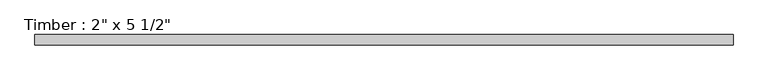
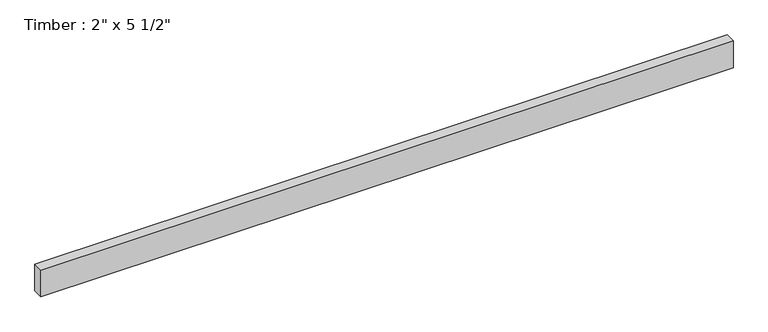
"""IFC4 building model written with IfcOpenShell, lengths in millimetres: beam geometry."""

from ifc_helpers import new_model, si_unit, frame, origin, place, context, project, spatial, polyline, outline, extrude, source, transform, mapped, element, save


def beam_d7595d74(model_context):
    return source(origin(), model_context, "Body", "SweptSolid", [
        extrude(outline(polyline([(1704.240254, 25.4), (1704.240254, -25.4), (-1704.240254, -25.4), (-1704.240254, 25.4), (1704.240254, 25.4)])), frame((0.0, 0.0, -69.85), z_axis=(0.0, 0.0, 1.0), x_axis=(1.0, 0.0, 0.0)), (0.0, 0.0, 1.0), 139.7),
    ])


if __name__ == "__main__":
    model = new_model("IFC4")
    model_context = context("Model", 3, world=origin())
    ifc_project = project(units=[si_unit("LENGTHUNIT", "METRE", prefix="MILLI")], contexts=[model_context])
    site = spatial("IfcSite", under=ifc_project)
    building = spatial("IfcBuilding", under=site)
    placement = place(None, origin())
    beam_shape = beam_d7595d74(model_context)
    element("IfcBeam", 1, ObjectType="Timber : 2\" x 5 1/2\"", at=placement, inside=building, context=model_context, shape_type="MappedRepresentation", body=[
        mapped(beam_shape, transform((0.0, 0.0, 0.0), x_axis=(1.0, 0.0, 0.0), y_axis=(0.0, 1.0, 0.0), z_axis=(0.0, 0.0, 1.0))),
    ])
    save(model, "model.ifc")
